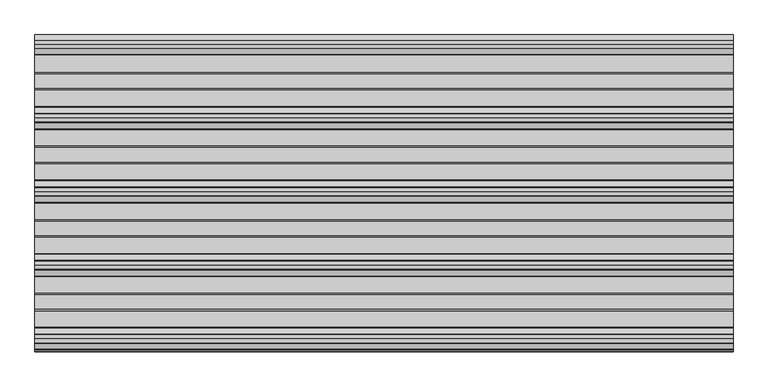
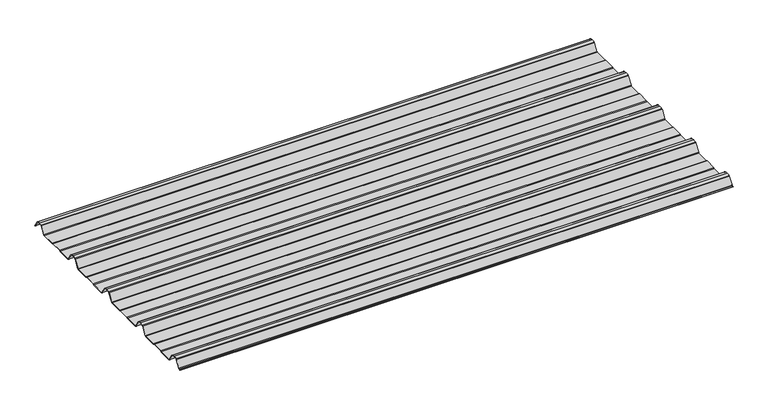
"""IFC4 building model written with IfcOpenShell, lengths in millimetres: beam geometry."""

from ifc_helpers import new_model, si_unit, point, frame, frame_2d, origin, place, context, project, spatial, polyline, circle_curve, trimmed, segment, composite_curve, outline, extrude, source, transform, mapped, element, save


def beam_c81321a4(model_context):
    return source(origin(), model_context, "Body", "SweptSolid", [
        extrude(outline(composite_curve([segment(polyline([(-72.2377386, -25.7896475), (-76.3538889, -24.06703), (-113.6461111, -24.06703), (-117.7622614, -25.7896475), (-160.0, -25.7896475)]), True, "CONTINUOUS"), segment(trimmed(circle_curve(frame_2d((-159.2196788, -21.4509358)), 4.4083239), [point((-160.0, -25.7896475))], [point((-162.8209858, -23.9933574))], False, "CARTESIAN"), True, "CONTINUOUS"), segment(polyline([(-162.8209858, -23.9933574), (-178.3273257, -0.5940367)]), True, "CONTINUOUS"), segment(trimmed(circle_curve(frame_2d((-180.8929255, -2.3855242)), 3.1291741), [point((-178.3273257, -0.5940367))], [point((-179.9028031, 0.582874))], True, "CARTESIAN"), True, "CONTINUOUS"), segment(trimmed(circle_curve(frame_2d((-189.9940851, -29.8891871)), 32.0995402), [point((-179.9028031, 0.582874))], [point((-190.0, 2.2103525))], True, "CARTESIAN"), True, "CONTINUOUS"), segment(trimmed(circle_curve(frame_2d((-190.0059149, -29.8891871)), 32.0995402), [point((-190.0, 2.2103525))], [point((-200.0971969, 0.582874))], True, "CARTESIAN"), True, "CONTINUOUS"), segment(trimmed(circle_curve(frame_2d((-199.1070745, -2.3855242)), 3.1291741), [point((-200.0971969, 0.582874))], [point((-201.6726743, -0.5940367))], True, "CARTESIAN"), True, "CONTINUOUS"), segment(polyline([(-201.6726743, -0.5940367), (-217.1790142, -23.9933574)]), True, "CONTINUOUS"), segment(trimmed(circle_curve(frame_2d((-220.7803212, -21.4509358)), 4.4083239), [point((-217.1790142, -23.9933574))], [point((-220.0, -25.7896475))], False, "CARTESIAN"), True, "CONTINUOUS"), segment(polyline([(-220.0, -25.7896475), (-262.2377386, -25.7896475), (-266.3538889, -24.06703), (-303.6461111, -24.06703), (-307.7622614, -25.7896475), (-350.0, -25.7896475)]), True, "CONTINUOUS"), segment(trimmed(circle_curve(frame_2d((-349.2196788, -21.4509358)), 4.4083239), [point((-350.0, -25.7896475))], [point((-352.8209858, -23.9933574))], False, "CARTESIAN"), True, "CONTINUOUS"), segment(polyline([(-352.8209858, -23.9933574), (-368.3273257, -0.5940367)]), True, "CONTINUOUS"), segment(trimmed(circle_curve(frame_2d((-370.8929255, -2.3855242)), 3.1291741), [point((-368.3273257, -0.5940367))], [point((-369.9028031, 0.582874))], True, "CARTESIAN"), True, "CONTINUOUS"), segment(trimmed(circle_curve(frame_2d((-379.9940851, -29.8891871)), 32.0995402), [point((-369.9028031, 0.582874))], [point((-380.0, 2.2103525))], True, "CARTESIAN"), True, "CONTINUOUS"), segment(trimmed(circle_curve(frame_2d((-380.0059149, -29.8891871)), 32.0995402), [point((-380.0, 2.2103525))], [point((-390.0971969, 0.582874))], True, "CARTESIAN"), True, "CONTINUOUS"), segment(trimmed(circle_curve(frame_2d((-389.1070745, -2.3855242)), 3.1291741), [point((-390.0971969, 0.582874))], [point((-391.6726743, -0.5940367))], True, "CARTESIAN"), True, "CONTINUOUS"), segment(polyline([(-391.6726743, -0.5940367), (-407.1790142, -23.9933574)]), True, "CONTINUOUS"), segment(trimmed(circle_curve(frame_2d((-410.7803212, -21.4509358)), 4.4083239), [point((-407.1790142, -23.9933574))], [point((-410.0, -25.7896475))], False, "CARTESIAN"), True, "CONTINUOUS"), segment(polyline([(-410.0, -25.7896475), (-452.2377387, -25.7896475), (-456.3538889, -24.06703), (-493.6461111, -24.06703), (-497.7622614, -25.7896475), (-540.0, -25.7896475)]), True, "CONTINUOUS"), segment(trimmed(circle_curve(frame_2d((-539.2196788, -21.4509358)), 4.4083239), [point((-540.0, -25.7896475))], [point((-542.8209858, -23.9933574))], False, "CARTESIAN"), True, "CONTINUOUS"), segment(polyline([(-542.8209858, -23.9933574), (-558.3273257, -0.5940367)]), True, "CONTINUOUS"), segment(trimmed(circle_curve(frame_2d((-560.8929255, -2.3855242)), 3.1291741), [point((-558.3273257, -0.5940367))], [point((-559.9028031, 0.582874))], True, "CARTESIAN"), True, "CONTINUOUS"), segment(trimmed(circle_curve(frame_2d((-569.9940851, -29.8891871)), 32.0995402), [point((-559.9028031, 0.582874))], [point((-570.0, 2.2103525))], True, "CARTESIAN"), True, "CONTINUOUS"), segment(trimmed(circle_curve(frame_2d((-570.0059149, -29.8891871)), 32.0995402), [point((-570.0, 2.2103525))], [point((-580.0971969, 0.582874))], True, "CARTESIAN"), True, "CONTINUOUS"), segment(trimmed(circle_curve(frame_2d((-579.1070745, -2.3855242)), 3.1291741), [point((-580.0971969, 0.582874))], [point((-581.6726743, -0.5940367))], True, "CARTESIAN"), True, "CONTINUOUS"), segment(polyline([(-581.6726743, -0.5940367), (-597.1790142, -23.9933574)]), True, "CONTINUOUS"), segment(trimmed(circle_curve(frame_2d((-600.7803212, -21.4509358)), 4.4083239), [point((-597.1790142, -23.9933574))], [point((-600.0, -25.7896475))], False, "CARTESIAN"), True, "CONTINUOUS"), segment(polyline([(-600.0, -25.7896475), (-642.2377387, -25.7896475), (-646.3538889, -24.06703), (-683.6461111, -24.06703), (-687.7622614, -25.7896475), (-730.0, -25.7896475)]), True, "CONTINUOUS"), segment(trimmed(circle_curve(frame_2d((-729.2196788, -21.4509358)), 4.4083239), [point((-730.0, -25.7896475))], [point((-732.8209858, -23.9933574))], False, "CARTESIAN"), True, "CONTINUOUS"), segment(polyline([(-732.8209858, -23.9933574), (-748.3273257, -0.5940367)]), True, "CONTINUOUS"), segment(trimmed(circle_curve(frame_2d((-750.8929255, -2.3855242)), 3.1291741), [point((-748.3273257, -0.5940367))], [point((-749.9028031, 0.582874))], True, "CARTESIAN"), True, "CONTINUOUS"), segment(trimmed(circle_curve(frame_2d((-759.9940851, -29.8891871)), 32.0995402), [point((-749.9028031, 0.582874))], [point((-760.0, 2.2103525))], True, "CARTESIAN"), True, "CONTINUOUS"), segment(trimmed(circle_curve(frame_2d((-760.0059149, -29.8891871)), 32.0995402), [point((-760.0, 2.2103525))], [point((-770.0971969, 0.582874))], True, "CARTESIAN"), True, "CONTINUOUS"), segment(trimmed(circle_curve(frame_2d((-769.1070745, -2.3855242)), 3.1291741), [point((-770.0971969, 0.582874))], [point((-771.6726743, -0.5940367))], True, "CARTESIAN"), True, "CONTINUOUS"), segment(polyline([(-771.6726743, -0.5940367), (-785.8536479, -21.993358)]), True, "CONTINUOUS"), segment(trimmed(circle_curve(frame_2d((-789.4549545, -19.4509358)), 4.4083239), [point((-785.8536479, -21.993358))], [point((-788.6746333, -23.7896475))], False, "CARTESIAN"), True, "CONTINUOUS"), segment(polyline([(-788.6746333, -23.7896475), (-792.3232685, -23.7896475)]), True, "CONTINUOUS"), segment(trimmed(circle_curve(frame_2d((-792.3232685, -23.2896475)), 0.5), [point((-792.3232685, -23.7896475))], [point((-792.3232685, -22.7896475))], False, "CARTESIAN"), True, "CONTINUOUS"), segment(polyline([(-792.3232685, -22.7896475), (-788.769625, -22.7896475)]), True, "CONTINUOUS"), segment(trimmed(circle_curve(frame_2d((-789.4549545, -19.4509358)), 3.4083239), [point((-788.769625, -22.7896475))], [point((-786.6785605, -21.42788))], True, "CARTESIAN"), True, "CONTINUOUS"), segment(polyline([(-786.6785605, -21.42788), (-772.5, -0.0322)]), True, "CONTINUOUS"), segment(trimmed(circle_curve(frame_2d((-769.1070745, -2.3855242)), 4.1291741), [point((-772.5, -0.0322))], [point((-770.41253, 1.5318556))], False, "CARTESIAN"), True, "CONTINUOUS"), segment(trimmed(circle_curve(frame_2d((-760.0059149, -29.8891871)), 33.0995402), [point((-770.41253, 1.5318556))], [point((-760.0, 3.2103525))], False, "CARTESIAN"), True, "CONTINUOUS"), segment(trimmed(circle_curve(frame_2d((-759.9940851, -29.8891871)), 33.0995402), [point((-760.0, 3.2103525))], [point((-749.58747, 1.5318556))], False, "CARTESIAN"), True, "CONTINUOUS"), segment(trimmed(circle_curve(frame_2d((-750.8929255, -2.3855242)), 4.1291741), [point((-749.58747, 1.5318556))], [point((-747.5, -0.0322))], False, "CARTESIAN"), True, "CONTINUOUS"), segment(polyline([(-747.5, -0.0322), (-732.1223092, -23.2373872)]), True, "CONTINUOUS"), segment(trimmed(circle_curve(frame_2d((-729.2196788, -21.4509358)), 3.4083239), [point((-732.1223092, -23.2373872))], [point((-729.9050084, -24.7896475))], True, "CARTESIAN"), True, "CONTINUOUS"), segment(polyline([(-729.9050084, -24.7896475), (-687.9630742, -24.7896475), (-683.846924, -23.06703), (-646.1530761, -23.06703), (-642.0369258, -24.7896475), (-600.0949917, -24.7896475)]), True, "CONTINUOUS"), segment(trimmed(circle_curve(frame_2d((-600.7803212, -21.4509358)), 3.4083239), [point((-600.0949917, -24.7896475))], [point((-597.8776908, -23.2373872))], True, "CARTESIAN"), True, "CONTINUOUS"), segment(polyline([(-597.8776908, -23.2373872), (-582.5, -0.0322)]), True, "CONTINUOUS"), segment(trimmed(circle_curve(frame_2d((-579.1070745, -2.3855242)), 4.1291741), [point((-582.5, -0.0322))], [point((-580.41253, 1.5318556))], False, "CARTESIAN"), True, "CONTINUOUS"), segment(trimmed(circle_curve(frame_2d((-570.0059149, -29.8891871)), 33.0995402), [point((-580.41253, 1.5318556))], [point((-570.0, 3.2103525))], False, "CARTESIAN"), True, "CONTINUOUS"), segment(trimmed(circle_curve(frame_2d((-569.9940851, -29.8891871)), 33.0995402), [point((-570.0, 3.2103525))], [point((-559.58747, 1.5318556))], False, "CARTESIAN"), True, "CONTINUOUS"), segment(trimmed(circle_curve(frame_2d((-560.8929255, -2.3855242)), 4.1291741), [point((-559.58747, 1.5318556))], [point((-557.5, -0.0322))], False, "CARTESIAN"), True, "CONTINUOUS"), segment(polyline([(-557.5, -0.0322), (-542.1223092, -23.2373872)]), True, "CONTINUOUS"), segment(trimmed(circle_curve(frame_2d((-539.2196788, -21.4509358)), 3.4083239), [point((-542.1223092, -23.2373872))], [point((-539.9050084, -24.7896475))], True, "CARTESIAN"), True, "CONTINUOUS"), segment(polyline([(-539.9050084, -24.7896475), (-497.9630742, -24.7896475), (-493.846924, -23.06703), (-456.1530761, -23.06703), (-452.0369258, -24.7896475), (-410.0949917, -24.7896475)]), True, "CONTINUOUS"), segment(trimmed(circle_curve(frame_2d((-410.7803212, -21.4509358)), 3.4083239), [point((-410.0949917, -24.7896475))], [point((-407.8776908, -23.2373872))], True, "CARTESIAN"), True, "CONTINUOUS"), segment(polyline([(-407.8776908, -23.2373872), (-392.5, -0.0322)]), True, "CONTINUOUS"), segment(trimmed(circle_curve(frame_2d((-389.1070745, -2.3855242)), 4.1291741), [point((-392.5, -0.0322))], [point((-390.41253, 1.5318556))], False, "CARTESIAN"), True, "CONTINUOUS"), segment(trimmed(circle_curve(frame_2d((-380.0059149, -29.8891871)), 33.0995402), [point((-390.41253, 1.5318556))], [point((-380.0, 3.2103525))], False, "CARTESIAN"), True, "CONTINUOUS"), segment(trimmed(circle_curve(frame_2d((-379.9940851, -29.8891871)), 33.0995402), [point((-380.0, 3.2103525))], [point((-369.58747, 1.5318556))], False, "CARTESIAN"), True, "CONTINUOUS"), segment(trimmed(circle_curve(frame_2d((-370.8929255, -2.3855242)), 4.1291741), [point((-369.58747, 1.5318556))], [point((-367.5, -0.0322))], False, "CARTESIAN"), True, "CONTINUOUS"), segment(polyline([(-367.5, -0.0322), (-352.1223092, -23.2373872)]), True, "CONTINUOUS"), segment(trimmed(circle_curve(frame_2d((-349.2196788, -21.4509358)), 3.4083239), [point((-352.1223092, -23.2373872))], [point((-349.9050084, -24.7896475))], True, "CARTESIAN"), True, "CONTINUOUS"), segment(polyline([(-349.9050084, -24.7896475), (-307.9630742, -24.7896475), (-303.846924, -23.06703), (-266.153076, -23.06703), (-262.0369258, -24.7896475), (-220.0949917, -24.7896475)]), True, "CONTINUOUS"), segment(trimmed(circle_curve(frame_2d((-220.7803212, -21.4509358)), 3.4083239), [point((-220.0949917, -24.7896475))], [point((-217.8776908, -23.2373872))], True, "CARTESIAN"), True, "CONTINUOUS"), segment(polyline([(-217.8776908, -23.2373872), (-202.5, -0.0322)]), True, "CONTINUOUS"), segment(trimmed(circle_curve(frame_2d((-199.1070745, -2.3855242)), 4.1291741), [point((-202.5, -0.0322))], [point((-200.41253, 1.5318556))], False, "CARTESIAN"), True, "CONTINUOUS"), segment(trimmed(circle_curve(frame_2d((-190.0059149, -29.8891871)), 33.0995402), [point((-200.41253, 1.5318556))], [point((-190.0, 3.2103525))], False, "CARTESIAN"), True, "CONTINUOUS"), segment(trimmed(circle_curve(frame_2d((-189.9940851, -29.8891871)), 33.0995402), [point((-190.0, 3.2103525))], [point((-179.58747, 1.5318556))], False, "CARTESIAN"), True, "CONTINUOUS"), segment(trimmed(circle_curve(frame_2d((-180.8929255, -2.3855242)), 4.1291741), [point((-179.58747, 1.5318556))], [point((-177.5, -0.0322))], False, "CARTESIAN"), True, "CONTINUOUS"), segment(polyline([(-177.5, -0.0322), (-162.1223092, -23.2373872)]), True, "CONTINUOUS"), segment(trimmed(circle_curve(frame_2d((-159.2196788, -21.4509358)), 3.4083239), [point((-162.1223092, -23.2373872))], [point((-159.9050084, -24.7896475))], True, "CARTESIAN"), True, "CONTINUOUS"), segment(polyline([(-159.9050084, -24.7896475), (-117.9630742, -24.7896475), (-113.846924, -23.06703), (-76.153076, -23.06703), (-72.0369258, -24.7896475), (-27.6957008, -24.7896475)]), True, "CONTINUOUS"), segment(trimmed(circle_curve(frame_2d((-28.3810303, -21.4509358)), 3.4083239), [point((-27.6957008, -24.7896475))], [point((-25.6046359, -23.4278795))], True, "CARTESIAN"), True, "CONTINUOUS"), segment(polyline([(-25.6046359, -23.4278795), (-10.8390947, -1.146436)]), True, "CONTINUOUS"), segment(trimmed(circle_curve(frame_2d((-9.2408211, -2.2055853)), 1.9173616), [point((-10.8390947, -1.146436))], [point((-9.7828223, -0.366425))], False, "CARTESIAN"), True, "CONTINUOUS"), segment(trimmed(circle_curve(frame_2d((-0.0059149, -29.8891871)), 31.0995402), [point((-9.7828223, -0.366425))], [point((0.0, 1.2103525))], False, "CARTESIAN"), True, "CONTINUOUS"), segment(trimmed(circle_curve(frame_2d((0.0059149, -29.8891871)), 31.0995402), [point((0.0, 1.2103525))], [point((9.7828223, -0.366425))], False, "CARTESIAN"), True, "CONTINUOUS"), segment(trimmed(circle_curve(frame_2d((9.2408211, -2.2055853)), 1.9173616), [point((9.7828223, -0.366425))], [point((10.8390947, -1.146436))], False, "CARTESIAN"), True, "CONTINUOUS"), segment(polyline([(10.8390947, -1.146436), (25.1846039, -22.7940443)]), True, "CONTINUOUS"), segment(trimmed(circle_curve(frame_2d((24.7678141, -23.0702439)), 0.5), [point((25.1846039, -22.7940443))], [point((24.3510243, -23.3464436))], False, "CARTESIAN"), True, "CONTINUOUS"), segment(polyline([(24.3510243, -23.3464436), (10.1734573, -1.9522629)]), True, "CONTINUOUS"), segment(trimmed(circle_curve(frame_2d((8.6614124, -2.9542699)), 1.8139178), [point((10.1734573, -1.9522629))], [point((9.071517, -1.18732))], True, "CARTESIAN"), True, "CONTINUOUS"), segment(trimmed(circle_curve(frame_2d((0.0059149, -29.8891871)), 30.0995402), [point((9.071517, -1.18732))], [point((0.0, 0.2103525))], True, "CARTESIAN"), True, "CONTINUOUS"), segment(trimmed(circle_curve(frame_2d((-0.0059149, -29.8891871)), 30.0995402), [point((0.0, 0.2103525))], [point((-9.071517, -1.18732))], True, "CARTESIAN"), True, "CONTINUOUS"), segment(trimmed(circle_curve(frame_2d((-8.6614124, -2.9542699)), 1.8139178), [point((-9.071517, -1.18732))], [point((-10.1734573, -1.9522629))], True, "CARTESIAN"), True, "CONTINUOUS"), segment(polyline([(-10.1734573, -1.9522629), (-24.7797233, -23.9933574)]), True, "CONTINUOUS"), segment(trimmed(circle_curve(frame_2d((-28.3810303, -21.4509358)), 4.4083239), [point((-24.7797233, -23.9933574))], [point((-27.6007091, -25.7896475))], False, "CARTESIAN"), True, "CONTINUOUS"), segment(polyline([(-27.6007091, -25.7896475), (-72.2377386, -25.7896475)]), True, "CONTINUOUS")], self_intersect=False)), frame((-900.0, 0.0, 0.0), z_axis=(1.0, 0.0, 0.0), x_axis=(0.0, 1.0, 0.0)), (0.0, 0.0, 1.0), 1800.0),
    ])


if __name__ == "__main__":
    model = new_model("IFC4")
    model_context = context("Model", 3, world=origin())
    ifc_project = project(units=[si_unit("LENGTHUNIT", "METRE", prefix="MILLI")], contexts=[model_context])
    site = spatial("IfcSite", under=ifc_project)
    building = spatial("IfcBuilding", under=site)
    placement = place(None, origin())
    beam_shape = beam_c81321a4(model_context)
    element("IfcBeam", 1, at=placement, inside=building, context=model_context, shape_type="MappedRepresentation", body=[
        mapped(beam_shape, transform((0.0, 0.0, 0.0), x_axis=(1.0, 0.0, 0.0), y_axis=(0.0, 1.0, 0.0), z_axis=(0.0, 0.0, 1.0))),
    ])
    save(model, "model.ifc")
